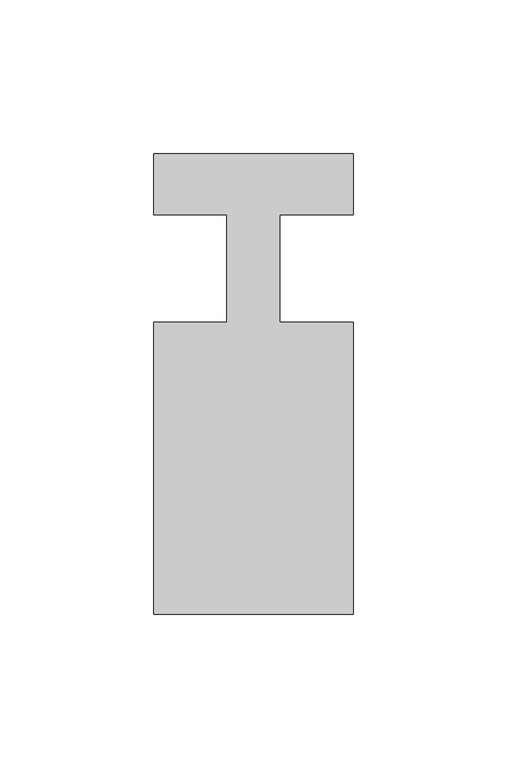
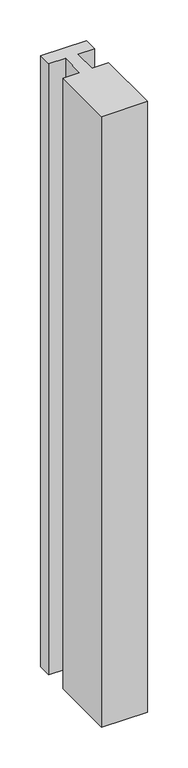
"""IFC4 building model written with IfcOpenShell, lengths in millimetres: member geometry."""

from ifc_helpers import new_model, si_unit, frame, origin, place, context, project, spatial, polyline, outline, extrude, source, transform, mapped, element, save


def member_ab553c51(model_context):
    return source(origin(), model_context, "Body", "SweptSolid", [
        extrude(outline(polyline([(0.0, 37.0), (0.0, 17.0), (-23.8125, 17.0), (-23.8125, -18.0), (0.0, -18.0), (0.0, -113.0), (-65.0, -113.0), (-65.0, -18.0), (-41.1875, -18.0), (-41.1875, 17.0), (-65.0, 17.0), (-65.0, 37.0), (0.0, 37.0)])), frame((0.0, 0.0, -916.1875), z_axis=(0.0, 0.0, 1.0), x_axis=(1.0, 0.0, 0.0)), (0.0, 0.0, 1.0), 916.1875),
    ])


if __name__ == "__main__":
    model = new_model("IFC4")
    model_context = context("Model", 3, world=origin())
    ifc_project = project(units=[si_unit("LENGTHUNIT", "METRE", prefix="MILLI")], contexts=[model_context])
    site = spatial("IfcSite", under=ifc_project)
    building = spatial("IfcBuilding", under=site)
    placement = place(None, origin())
    member_shape = member_ab553c51(model_context)
    element("IfcMember", 1, at=placement, inside=building, context=model_context, shape_type="MappedRepresentation", body=[
        mapped(member_shape, transform((0.0, 0.0, 0.0), x_axis=(1.0, 0.0, 0.0), y_axis=(0.0, 1.0, 0.0), z_axis=(0.0, 0.0, 1.0))),
    ])
    save(model, "model.ifc")
